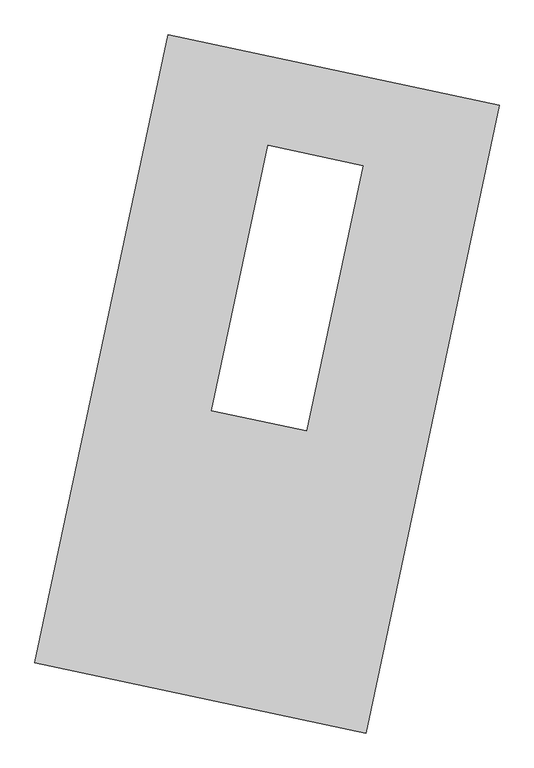
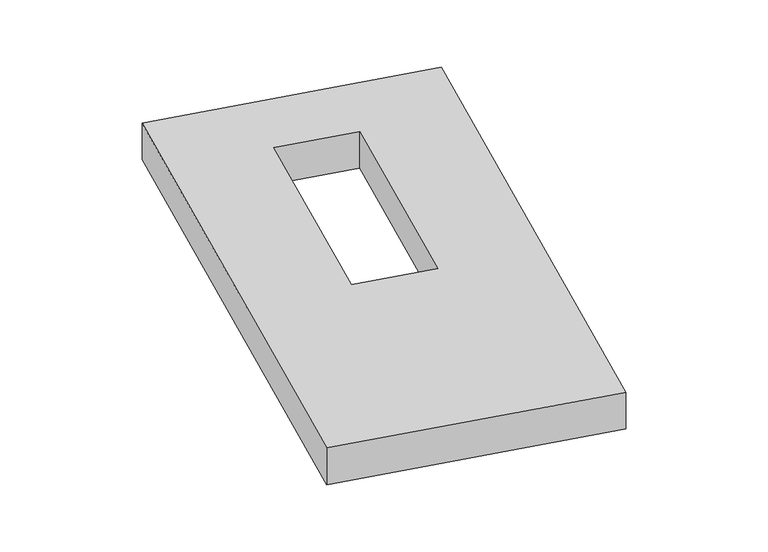
"""IFC4 building model written with IfcOpenShell, lengths in millimetres: proxy geometry."""

import ifcopenshell
import ifcopenshell.guid

model = None  # the IFC model being written
_history = None  # IfcOwnerHistory: only IFC2X3 demands one
_inside = {}  # id of a spatial element -> (the spatial element, [elements in it])
_under = {}  # id of a project, library or spatial element -> (it, [spatial elements below it])
_declared = {}  # id of a project -> (the project, [libraries it declares])
_typed = {}  # id of a type object -> (the type object, [elements of that type])
_made_of = {}  # id of a material, layer set ... -> (it, [elements and type objects made of it])


def new_model(schema):
    """Start an empty IFC model of exactly this schema.

    Asked for "IFC4X3", IfcOpenShell would pick the latest addendum, in which some entities
    have other attributes; the version numbers below select the first issue.
    IFC2X3 requires an IfcOwnerHistory on every rooted entity: one is made here for all.
    """
    global model, _history
    if schema == "IFC4X3":
        model = ifcopenshell.file(schema_version=(4, 3, 0, 0))
    else:
        model = ifcopenshell.file(schema=schema)
    _inside.clear()
    _under.clear()
    _declared.clear()
    _typed.clear()
    _made_of.clear()
    _history = None
    if model.schema == "IFC2X3":
        org = make("IfcOrganization", Name="unknown")
        user = make(
            "IfcPersonAndOrganization",
            ThePerson=make("IfcPerson", FamilyName="unknown"),
            TheOrganization=org,
        )
        app = make(
            "IfcApplication",
            ApplicationDeveloper=org,
            Version="unknown",
            ApplicationFullName="unknown",
            ApplicationIdentifier="unknown",
        )
        _history = make(
            "IfcOwnerHistory",
            OwningUser=user,
            OwningApplication=app,
            ChangeAction="ADDED",
            CreationDate=0,
        )
    return model


def make(cls, **values):
    """One entity of the class cls with the attributes given. An attribute that is None is left unset."""
    return model.create_entity(
        cls, **{name: value for name, value in values.items() if value is not None}
    )


def rooted(cls, **values):
    """An entity with a GlobalId (a new one), such as an element, a storey or a relation."""
    return make(cls, GlobalId=ifcopenshell.guid.new(), OwnerHistory=_history, **values)


def si_unit(unit_type, name, prefix=None):
    """IfcSIUnit, for example si_unit("LENGTHUNIT", "METRE", prefix="MILLI")."""
    return make("IfcSIUnit", UnitType=unit_type, Prefix=prefix, Name=name)


def assignment(units):
    """IfcUnitAssignment: the units of a project."""
    return None if units is None else make("IfcUnitAssignment", Units=units)


def point(xyz):
    """IfcCartesianPoint."""
    return None if xyz is None else make("IfcCartesianPoint", Coordinates=xyz)


def direction(xyz):
    """IfcDirection."""
    return None if xyz is None else make("IfcDirection", DirectionRatios=xyz)


def frame(location, z_axis=None, x_axis=None):
    """IfcAxis2Placement3D, a coordinate frame: its origin and axes. An axis left out is left unset."""
    return make(
        "IfcAxis2Placement3D",
        Location=point(location),
        Axis=direction(z_axis),
        RefDirection=direction(x_axis),
    )


def origin():
    """The frame at (0, 0, 0) with its axes left unset."""
    return frame((0.0, 0.0, 0.0))


def origin_with_axes():
    """The frame at (0, 0, 0) with the z axis (0, 0, 1) and the x axis (1, 0, 0) written out."""
    return frame((0.0, 0.0, 0.0), z_axis=(0.0, 0.0, 1.0), x_axis=(1.0, 0.0, 0.0))


def place(relative_to, where):
    """IfcLocalPlacement: puts the frame where relative to a parent placement (None: the world)."""
    return make(
        "IfcLocalPlacement", PlacementRelTo=relative_to, RelativePlacement=where
    )


def context(
    kind, dimensions, precision=None, world=None, true_north=None, identifier=None
):
    """IfcGeometricRepresentationContext, for example the 3D "Model" context."""
    return make(
        "IfcGeometricRepresentationContext",
        ContextIdentifier=identifier,
        ContextType=kind,
        CoordinateSpaceDimension=dimensions,
        Precision=precision,
        WorldCoordinateSystem=world,
        TrueNorth=true_north,
    )


def project(units=None, contexts=None):
    """IfcProject with its units and contexts."""
    return rooted(
        "IfcProject",
        Name="project",
        RepresentationContexts=contexts,
        UnitsInContext=assignment(units),
    )


def spatial(cls, under=None, at=None, **own):
    """A site, building, storey or space (cls), placed at a placement, below another one or the project."""
    s = rooted(cls, ObjectPlacement=at, **own)
    if under is not None:
        _under.setdefault(under.id(), (under, []))[1].append(s)
    return s


def polyline(points):
    """IfcPolyline through the points."""
    return make("IfcPolyline", Points=[point(p) for p in points])


def outline(outer, holes=None, kind="AREA"):
    """IfcArbitraryClosedProfileDef: a profile drawn as a closed curve; with holes, ...WithVoids."""
    if holes is None:
        return make("IfcArbitraryClosedProfileDef", ProfileType=kind, OuterCurve=outer)
    return make(
        "IfcArbitraryProfileDefWithVoids",
        ProfileType=kind,
        OuterCurve=outer,
        InnerCurves=holes,
    )


def extrude(swept, where, along, depth):
    """IfcExtrudedAreaSolid: the profile swept, set in the frame where, extruded along a direction by depth."""
    return make(
        "IfcExtrudedAreaSolid",
        SweptArea=swept,
        Position=where,
        ExtrudedDirection=direction(along),
        Depth=depth,
    )


def shape(context_of_items, identifier, shape_type, items):
    """IfcShapeRepresentation: the items that make up one representation, for example the "Body"."""
    return make(
        "IfcShapeRepresentation",
        ContextOfItems=context_of_items,
        RepresentationIdentifier=identifier,
        RepresentationType=shape_type,
        Items=items,
    )


def source(mapping_origin, context_of_items, identifier, shape_type, items):
    """IfcRepresentationMap: a shape defined once, which mapped items show again and again."""
    return make(
        "IfcRepresentationMap",
        MappingOrigin=mapping_origin,
        MappedRepresentation=shape(context_of_items, identifier, shape_type, items),
    )


def transform(
    local_origin,
    x_axis=None,
    y_axis=None,
    z_axis=None,
    scale=None,
    scale2=None,
    scale3=None,
    uniform=True,
):
    """IfcCartesianTransformationOperator3D, or its non-uniform kind. x_axis, y_axis, z_axis: its Axis1, 2, 3."""
    if uniform:
        return make(
            "IfcCartesianTransformationOperator3D",
            Axis1=direction(x_axis),
            Axis2=direction(y_axis),
            LocalOrigin=point(local_origin),
            Scale=scale,
            Axis3=direction(z_axis),
        )
    return make(
        "IfcCartesianTransformationOperator3DnonUniform",
        Axis1=direction(x_axis),
        Axis2=direction(y_axis),
        LocalOrigin=point(local_origin),
        Scale=scale,
        Axis3=direction(z_axis),
        Scale2=scale2,
        Scale3=scale3,
    )


def mapped(mapping_source, mapping_target):
    """IfcMappedItem: shows the shape of a source again, moved by a transform."""
    return make(
        "IfcMappedItem", MappingSource=mapping_source, MappingTarget=mapping_target
    )


def made_of(thing, what):
    """Note that an element or type object is made of a material, layer set ...; save() writes the relation."""
    if what is not None:
        _made_of.setdefault(what.id(), (what, []))[1].append(thing)
    return thing


def element(
    cls,
    number,
    at=None,
    inside=None,
    cuts=None,
    type_object=None,
    material=None,
    context=None,
    identifier="Body",
    shape_type=None,
    held_by="IfcProductDefinitionShape",
    body=None,
    shapes=None,
    **own,
):
    """One element of the class cls, such as IfcWall. Its Tag is "e" and its number.

    at: its placement. inside: the storey or other place that contains it. cuts: it is an
    opening in that element (IfcRelVoidsElement). A single representation is given by context,
    identifier, shape_type and body (its items); several are given by shapes. held_by: the class
    of the entity that holds the representations. save() writes the other relations.
    """
    e = rooted(cls, Tag="e%d" % number, ObjectPlacement=at, **own)
    if body is not None:
        shapes = [shape(context, identifier, shape_type, body)]
    if shapes is not None:
        e.Representation = make(held_by, Representations=shapes)
    if inside is not None:
        _inside.setdefault(inside.id(), (inside, []))[1].append(e)
    if cuts is not None:
        rooted(
            "IfcRelVoidsElement", RelatingBuildingElement=cuts, RelatedOpeningElement=e
        )
    if type_object is not None:
        _typed.setdefault(type_object.id(), (type_object, []))[1].append(e)
    return made_of(e, material)


def aggregate(whole, parts):
    """IfcRelAggregates: a whole, such as a stair, and the parts it consists of."""
    return rooted("IfcRelAggregates", RelatingObject=whole, RelatedObjects=parts)


def save(model, path):
    """Write the relations noted so far, then the file.

    IfcRelAggregates (storeys below a building ...), IfcRelContainedInSpatialStructure (elements
    in a storey), IfcRelDefinesByType, IfcRelAssociatesMaterial and IfcRelDeclares: one each for
    every whole, place, type object, material and project.
    """
    for whole, parts in _under.values():
        aggregate(whole, parts)
    for where, things in _inside.values():
        rooted(
            "IfcRelContainedInSpatialStructure",
            RelatedElements=things,
            RelatingStructure=where,
        )
    for kind, things in _typed.values():
        rooted("IfcRelDefinesByType", RelatedObjects=things, RelatingType=kind)
    for what, things in _made_of.values():
        rooted("IfcRelAssociatesMaterial", RelatedObjects=things, RelatingMaterial=what)
    for by, libraries in _declared.values():
        rooted("IfcRelDeclares", RelatingContext=by, RelatedDefinitions=libraries)
    model.write(path)


def generic_models_0339f17f(model_context):
    return source(origin(), model_context, "Body", "SweptSolid", [
        extrude(outline(polyline([(-617.3692021, 2175.5580432), (1447.7508745, 1737.3010494), (617.3692021, -2175.5580432), (-1447.7508745, -1737.3010494), (-617.3692021, 2175.5580432)]), holes=[polyline([(597.998147, 1361.5484708), (5.3068467, 1487.3286182), (-345.4115841, -165.2991389), (247.2797163, -291.0792863), (597.998147, 1361.5484708)])]), origin_with_axes(), (0.0, 0.0, 1.0), 300.0),
    ])


if __name__ == "__main__":
    model = new_model("IFC4")
    model_context = context("Model", 3, world=origin())
    ifc_project = project(units=[si_unit("LENGTHUNIT", "METRE", prefix="MILLI")], contexts=[model_context])
    site = spatial("IfcSite", under=ifc_project)
    building = spatial("IfcBuilding", under=site)
    placement = place(None, origin())
    generic_models_shape = generic_models_0339f17f(model_context)
    element("IfcBuildingElementProxy", 1, Name="Generic Models", at=placement, inside=building, context=model_context, shape_type="MappedRepresentation", body=[
        mapped(generic_models_shape, transform((0.0, 0.0, 0.0), x_axis=(1.0, 0.0, 0.0), y_axis=(0.0, 1.0, 0.0), z_axis=(0.0, 0.0, 1.0))),
    ])
    save(model, "model.ifc")
